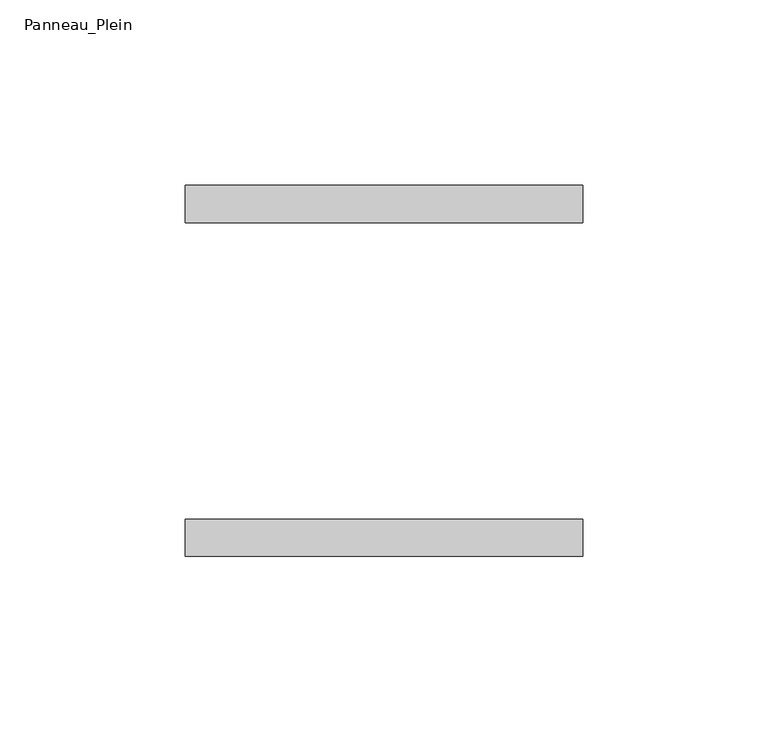
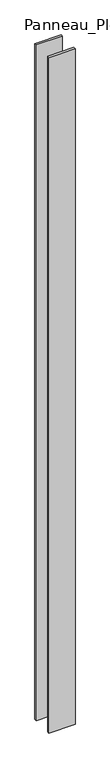
"""IFC4 building model written with IfcOpenShell, lengths in millimetres: plate geometry, Panneau_Plein."""

from ifc_helpers import new_model, si_unit, origin, origin_with_axes, place, context, project, spatial, polyline, outline, extrude, source, transform, mapped, element, save


def panneau_plein_d256eb94(model_context):
    return source(origin(), model_context, "Body", "SweptSolid", [
        extrude(outline(polyline([(53.5363845, 50.0), (53.5363845, 40.0), (-53.5363845, 40.0), (-53.5363845, 50.0), (53.5363845, 50.0)])), origin_with_axes(), (0.0, 0.0, 1.0), 2930.3804804),
        extrude(outline(polyline([(53.5363845, -40.0), (53.5363845, -50.0), (-53.5363845, -50.0), (-53.5363845, -40.0), (53.5363845, -40.0)])), origin_with_axes(), (0.0, 0.0, 1.0), 2930.3804804),
    ])


if __name__ == "__main__":
    model = new_model("IFC4")
    model_context = context("Model", 3, world=origin())
    ifc_project = project(units=[si_unit("LENGTHUNIT", "METRE", prefix="MILLI")], contexts=[model_context])
    site = spatial("IfcSite", under=ifc_project)
    building = spatial("IfcBuilding", under=site)
    placement = place(None, origin())
    panneau_plein_shape = panneau_plein_d256eb94(model_context)
    element("IfcPlate", 1, ObjectType="Panneau_Plein", at=placement, inside=building, context=model_context, shape_type="MappedRepresentation", body=[
        mapped(panneau_plein_shape, transform((0.0, 0.0, 0.0), x_axis=(1.0, 0.0, 0.0), y_axis=(0.0, 1.0, 0.0), z_axis=(0.0, 0.0, 1.0))),
    ])
    save(model, "model.ifc")
